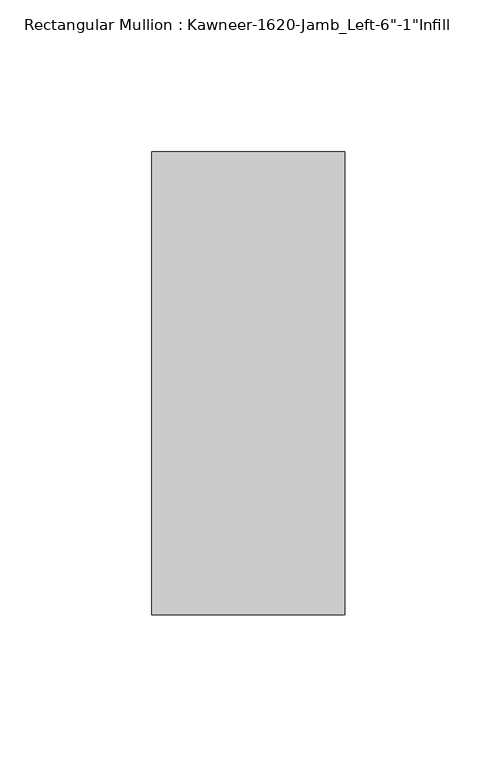
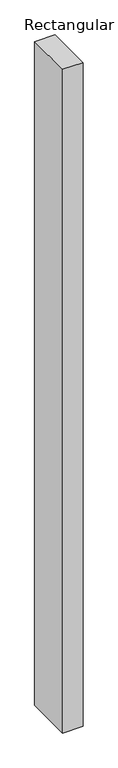
"""IFC4 building model written with IfcOpenShell, lengths in millimetres: member geometry."""

from ifc_helpers import new_model, si_unit, frame, origin, place, context, project, spatial, polyline, outline, extrude, source, transform, mapped, element, save


def member_07e160aa(model_context):
    return source(origin(), model_context, "Body", "SweptSolid", [
        extrude(outline(polyline([(-63.5, 38.1), (0.0, 38.1), (0.0, -114.3), (-63.5, -114.3), (-63.5, 38.1)])), frame((0.0, 0.0, -2201.8625), z_axis=(0.0, 0.0, 1.0), x_axis=(1.0, 0.0, 0.0)), (0.0, 0.0, 1.0), 2201.8625),
    ])


if __name__ == "__main__":
    model = new_model("IFC4")
    model_context = context("Model", 3, world=origin())
    ifc_project = project(units=[si_unit("LENGTHUNIT", "METRE", prefix="MILLI")], contexts=[model_context])
    site = spatial("IfcSite", under=ifc_project)
    building = spatial("IfcBuilding", under=site)
    placement = place(None, origin())
    member_shape = member_07e160aa(model_context)
    element("IfcMember", 1, ObjectType="Rectangular Mullion : Kawneer-1620-Jamb_Left-6\"-1\"Infill", at=placement, inside=building, context=model_context, shape_type="MappedRepresentation", body=[
        mapped(member_shape, transform((0.0, 0.0, 0.0), x_axis=(1.0, 0.0, 0.0), y_axis=(0.0, 1.0, 0.0), z_axis=(0.0, 0.0, 1.0))),
    ])
    save(model, "model.ifc")
